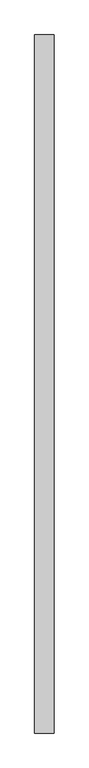
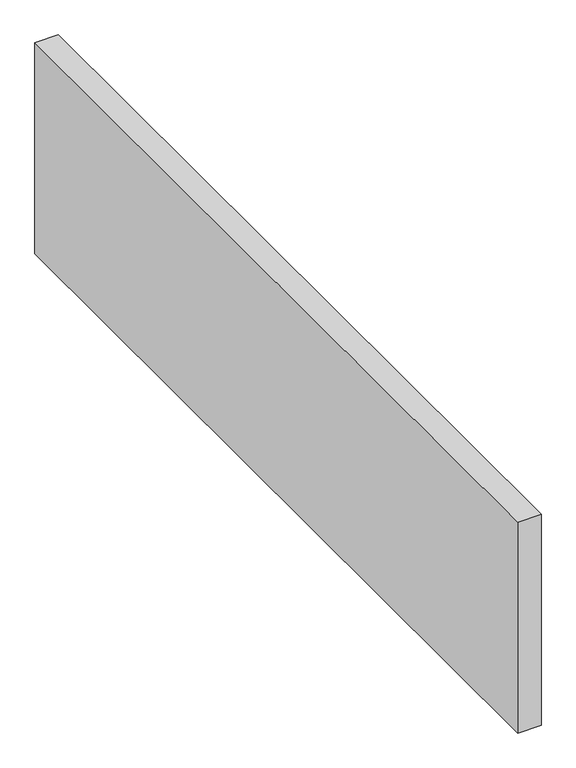
"""IFC4 building model written with IfcOpenShell, lengths in millimetres: proxy geometry."""

from ifc_helpers import new_model, si_unit, origin, origin_with_axes, place, context, project, spatial, polyline, outline, extrude, source, transform, mapped, element, save


def specialty_equipment_e009e619(model_context):
    return source(origin(), model_context, "Body", "SweptSolid", [
        extrude(outline(polyline([(21.0, 0.0), (-21.0, 0.0), (-21.0, 1500.0), (21.0, 1500.0), (21.0, 0.0)])), origin_with_axes(), (0.0, 0.0, 1.0), 400.0),
    ])


if __name__ == "__main__":
    model = new_model("IFC4")
    model_context = context("Model", 3, world=origin())
    ifc_project = project(units=[si_unit("LENGTHUNIT", "METRE", prefix="MILLI")], contexts=[model_context])
    site = spatial("IfcSite", under=ifc_project)
    building = spatial("IfcBuilding", under=site)
    placement = place(None, origin())
    specialty_equipment_shape = specialty_equipment_e009e619(model_context)
    element("IfcBuildingElementProxy", 1, Name="Specialty Equipment", at=placement, inside=building, context=model_context, shape_type="MappedRepresentation", body=[
        mapped(specialty_equipment_shape, transform((0.0, 0.0, 0.0), x_axis=(1.0, 0.0, 0.0), y_axis=(0.0, 1.0, 0.0), z_axis=(0.0, 0.0, 1.0))),
    ])
    save(model, "model.ifc")
